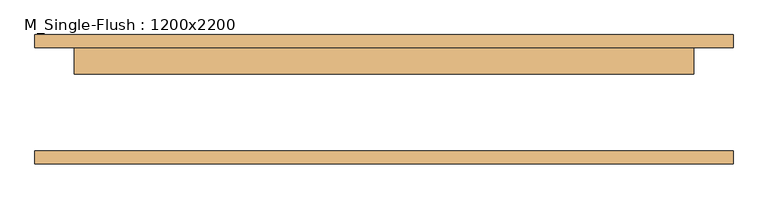
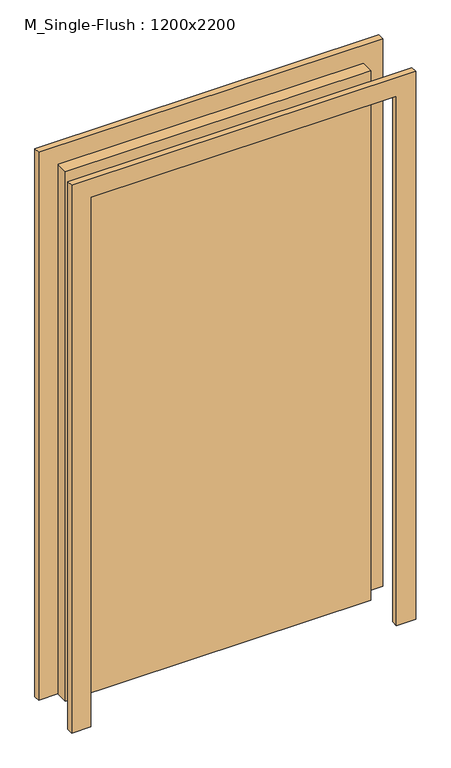
"""IFC4 building model written with IfcOpenShell, lengths in millimetres: door geometry, M_Single-Flush : 1200x2200."""

from ifc_helpers import new_model, si_unit, frame, origin, origin_with_axes, place, context, project, spatial, polyline, outline, extrude, source, transform, mapped, element, save


def m_single_flush_1200x2200_1e49d50c(model_context):
    return source(origin(), model_context, "Body", "SweptSolid", [
        extrude(outline(polyline([(2276.0, -676.0), (0.0, -676.0), (0.0, -600.0), (2200.0, -600.0), (2200.0, 600.0), (0.0, 600.0), (0.0, 676.0), (2276.0, 676.0), (2276.0, -676.0)])), frame((0.0, 100.0, 0.0), z_axis=(0.0, 1.0, 0.0), x_axis=(0.0, 0.0, 1.0)), (0.0, 0.0, 1.0), 25.0),
        extrude(outline(polyline([(2276.0, 676.0), (2276.0, -676.0), (0.0, -676.0), (0.0, -600.0), (2200.0, -600.0), (2200.0, 600.0), (0.0, 600.0), (0.0, 676.0), (2276.0, 676.0)])), frame((0.0, -125.0, 0.0), z_axis=(0.0, 1.0, 0.0), x_axis=(0.0, 0.0, 1.0)), (0.0, 0.0, 1.0), 25.0),
        extrude(outline(polyline([(600.0, 49.0), (-600.0, 49.0), (-600.0, 100.0), (600.0, 100.0), (600.0, 49.0)])), origin_with_axes(), (0.0, 0.0, 1.0), 2200.0),
    ])


if __name__ == "__main__":
    model = new_model("IFC4")
    model_context = context("Model", 3, world=origin())
    ifc_project = project(units=[si_unit("LENGTHUNIT", "METRE", prefix="MILLI")], contexts=[model_context])
    site = spatial("IfcSite", under=ifc_project)
    building = spatial("IfcBuilding", under=site)
    placement = place(None, origin())
    m_single_flush_1200x2200_shape = m_single_flush_1200x2200_1e49d50c(model_context)
    element("IfcDoor", 1, ObjectType="M_Single-Flush : 1200x2200", at=placement, inside=building, context=model_context, shape_type="MappedRepresentation", body=[
        mapped(m_single_flush_1200x2200_shape, transform((0.0, 0.0, 0.0), x_axis=(1.0, 0.0, 0.0), y_axis=(0.0, 1.0, 0.0), z_axis=(0.0, 0.0, 1.0))),
    ])
    save(model, "model.ifc")
